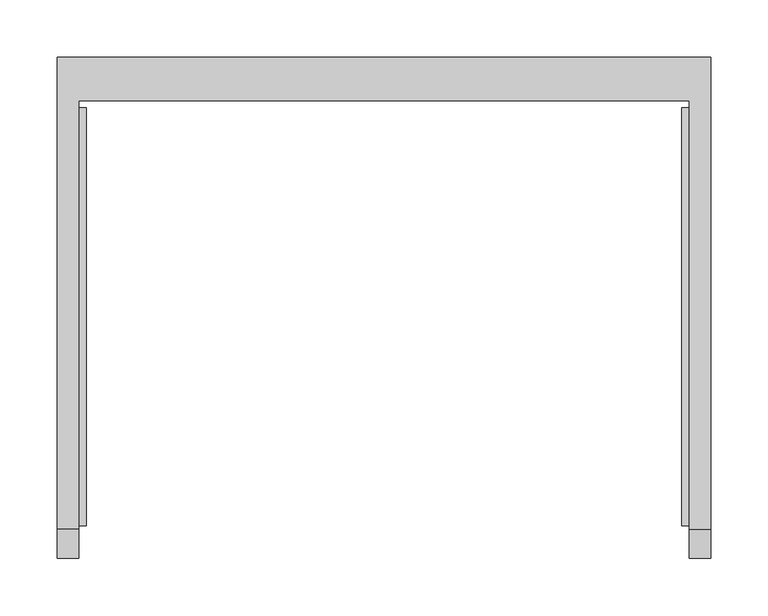
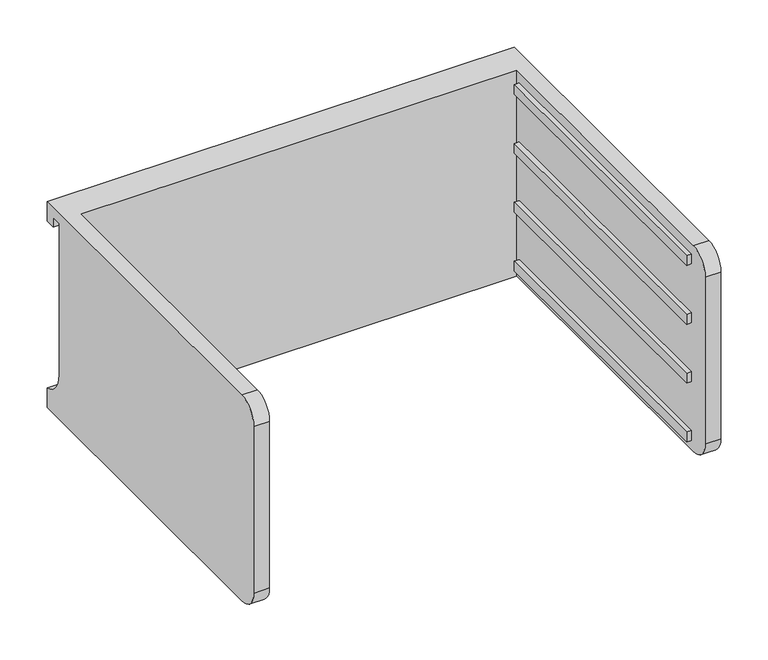
"""IFC4 building model written with IfcOpenShell, lengths in millimetres: furniture geometry."""

from ifc_helpers import new_model, si_unit, frame, origin, place, context, project, spatial, polyline, circle_curve, outline, extrude, source, transform, mapped, element, save
from ifc_brep_helpers import plane_surface, cylinder_surface, revolved_surface, advanced_brep


def furniture_a0f469f4(model_context):
    return source(origin(), model_context, "Body", "SolidModel", [
        advanced_brep(
        [(-171.7622951, -331.6523397, 895.35), (-171.7622951, -357.0523397, 869.95), (-171.7622951, -357.0523397, 654.05), (-171.7622951, -331.6523397, 628.65), (-171.7622951, 43.0421197, 628.65), (-171.7622951, 43.0421197, 895.35), (-190.8122951, -331.6523397, 628.65), (-190.8122951, -357.0523397, 654.05), (-190.8122951, -357.0523397, 869.95), (-190.8122951, -331.6523397, 895.35), (-190.8122951, 81.0976603, 895.35), (-190.8122951, 81.0976603, 869.95), (-190.8122951, 68.4421197, 869.95), (-190.8122951, 68.4421197, 882.65), (-190.8122951, 55.7421197, 882.65), (-190.8122951, 55.7421197, 686.59502), (-190.8122951, 81.0976603, 654.05), (-190.8122951, 81.0976603, 628.65), (380.6877049, 81.0976603, 628.65), (380.6877049, -331.6523397, 628.65), (361.6377049, -331.6523397, 628.65), (361.6377049, 43.0421197, 628.65), (361.6377049, 43.0421197, 895.35), (361.6377049, -331.6523397, 895.35), (380.6877049, -331.6523397, 895.35), (380.6877049, 81.0976603, 895.35), (380.6877049, 81.0976603, 654.05), (380.6877049, 55.7421197, 686.59502), (380.6877049, 55.7421197, 882.65), (380.6877049, 68.4421197, 882.65), (380.6877049, 68.4421197, 869.95), (380.6877049, 81.0976603, 869.95), (380.6877049, -357.0523397, 869.95), (380.6877049, -357.0523397, 654.05), (361.6377049, -357.0523397, 654.05), (361.6377049, -357.0523397, 869.95)],
        [
            (0, 1, circle_curve(frame((-171.7622951, -331.6523397, 869.95), z_axis=(1.0, 0.0, 0.0), x_axis=(0.0, 0.0, 1.0)), 25.4)),
            (1, 2),
            (2, 3, circle_curve(frame((-171.7622951, -331.6523397, 654.05), z_axis=(1.0, 0.0, 0.0), x_axis=(0.0, 0.0, 1.0)), 25.4)),
            (3, 4),
            (4, 5),
            (5, 0),
            (6, 7, circle_curve(frame((-190.8122951, -331.6523397, 654.05), z_axis=(-1.0, 0.0, 0.0), x_axis=(0.0, 0.0, 1.0)), 25.4)),
            (7, 8),
            (8, 9, circle_curve(frame((-190.8122951, -331.6523397, 869.95), z_axis=(-1.0, 0.0, 0.0), x_axis=(0.0, 0.0, 1.0)), 25.4)),
            (9, 10),
            (10, 11),
            (11, 12),
            (12, 13),
            (13, 14),
            (14, 15),
            (15, 16, circle_curve(frame((-190.8122951, 89.3064162, 686.59502), z_axis=(1.0, 0.0, 0.0), x_axis=(0.0, 0.0, 1.0)), 33.5642965)),
            (16, 17),
            (17, 6),
            (0, 9),
            (8, 1),
            (7, 2),
            (6, 3),
            (17, 18),
            (18, 19),
            (19, 20),
            (20, 21),
            (21, 4),
            (5, 22),
            (22, 23),
            (23, 24),
            (24, 25),
            (25, 10),
            (18, 26),
            (26, 27, circle_curve(frame((380.6877049, 89.3064162, 686.59502), z_axis=(-1.0, 0.0, 0.0), x_axis=(0.0, 0.0, 1.0)), 33.5642965)),
            (27, 28),
            (28, 29),
            (29, 30),
            (30, 31),
            (31, 25),
            (24, 32, circle_curve(frame((380.6877049, -331.6523397, 869.95), z_axis=(1.0, 0.0, 0.0), x_axis=(0.0, 0.0, 1.0)), 25.4)),
            (32, 33),
            (33, 19, circle_curve(frame((380.6877049, -331.6523397, 654.05), z_axis=(1.0, 0.0, 0.0), x_axis=(0.0, 0.0, 1.0)), 25.4)),
            (16, 26),
            (15, 27),
            (14, 28),
            (13, 29),
            (12, 30),
            (11, 31),
            (21, 22),
            (20, 34, circle_curve(frame((361.6377049, -331.6523397, 654.05), z_axis=(-1.0, 0.0, 0.0), x_axis=(0.0, 0.0, 1.0)), 25.4)),
            (34, 35),
            (35, 23, circle_curve(frame((361.6377049, -331.6523397, 869.95), z_axis=(-1.0, 0.0, 0.0), x_axis=(0.0, 0.0, 1.0)), 25.4)),
            (35, 32),
            (34, 33),
        ],
        [
            plane_surface(frame((-171.7622951, -331.6523397, 895.35), z_axis=(1.0, 0.0, 0.0), x_axis=(0.0, -1.0, 0.0))),
            plane_surface(frame((-190.8122951, -331.6523397, 895.35), z_axis=(-1.0, 0.0, 0.0), x_axis=(0.0, 1.0, 0.0))),
            cylinder_surface(frame((-190.8122951, -331.6523397, 869.95), z_axis=(1.0, 0.0, 0.0), x_axis=(0.0, 0.0, 1.0)), 25.4),
            plane_surface(frame((-171.7622951, -357.0523397, 869.95), z_axis=(0.0, -1.0, 0.0), x_axis=(-1.0, 0.0, 0.0))),
            cylinder_surface(frame((-190.8122951, -331.6523397, 654.05), z_axis=(1.0, 0.0, 0.0), x_axis=(0.0, 0.0, 1.0)), 25.4),
            plane_surface(frame((-171.7622951, -331.6523397, 628.65), z_axis=(0.0, 0.0, -1.0), x_axis=(-1.0, 0.0, 0.0))),
            plane_surface(frame((-171.7622951, 43.0421197, 895.35), z_axis=(0.0, 0.0, 1.0), x_axis=(-1.0, 0.0, 0.0))),
            plane_surface(frame((380.6877049, 81.0976603, 654.05), z_axis=(1.0, 0.0, 0.0), x_axis=(0.0, 0.0, 1.0))),
            plane_surface(frame((380.6877049, 81.0976603, 628.65), z_axis=(0.0, 1.0, 0.0), x_axis=(-1.0, 0.0, 0.0))),
            revolved_surface(polyline([(-190.8122951, 89.3064162, 720.1593164999999), (380.68770489999997, 89.3064162, 720.1593164999999)]), (-190.8122951, 89.3064162, 686.59502), (-1.0, 0.0, 0.0)),
            plane_surface(frame((380.6877049, 55.7421197, 686.59502), z_axis=(0.0, 1.0, 0.0), x_axis=(-1.0, 0.0, 0.0))),
            plane_surface(frame((380.6877049, 55.7421197, 882.65), z_axis=(0.0, 0.0, -1.0), x_axis=(-1.0, 0.0, 0.0))),
            plane_surface(frame((380.6877049, 68.4421197, 882.65), z_axis=(0.0, -1.0, 0.0), x_axis=(-1.0, 0.0, 0.0))),
            plane_surface(frame((380.6877049, 68.4421197, 869.95), z_axis=(0.0, 0.0, -1.0), x_axis=(-1.0, 0.0, 0.0))),
            plane_surface(frame((380.6877049, 81.0976603, 869.95), z_axis=(0.0, 1.0, 0.0), x_axis=(-1.0, 0.0, 0.0))),
            plane_surface(frame((380.6877049, 43.0421197, 895.35), z_axis=(0.0, -1.0, 0.0), x_axis=(-1.0, 0.0, 0.0))),
            plane_surface(frame((361.6377049, -331.6523397, 895.35), z_axis=(-1.0, 0.0, 0.0), x_axis=(0.0, 1.0, 0.0))),
            cylinder_surface(frame((361.6377049, -331.6523397, 869.95), z_axis=(1.0, 0.0, 0.0), x_axis=(0.0, 0.0, 1.0)), 25.4),
            plane_surface(frame((380.6877049, -357.0523397, 869.95), z_axis=(0.0, -1.0, 0.0), x_axis=(-1.0, 0.0, 0.0))),
            cylinder_surface(frame((361.6377049, -331.6523397, 654.05), z_axis=(1.0, 0.0, 0.0), x_axis=(0.0, 0.0, 1.0)), 25.4),
        ],
        [
            (0, [[1, 2, 3, 4, 5, 6]]),
            (1, [[7, 8, 9, 10, 11, 12, 13, 14, 15, 16, 17, 18]]),
            (2, [[-1, 19, -9, 20]]),
            (3, [[-2, -20, -8, 21]]),
            (4, [[-3, -21, -7, 22]]),
            (5, [[-4, -22, -18, 23, 24, 25, 26, 27]]),
            (6, [[-6, 28, 29, 30, 31, 32, -10, -19]]),
            (7, [[-24, 33, 34, 35, 36, 37, 38, 39, -31, 40, 41, 42]]),
            (8, [[-33, -23, -17, 43]]),
            (9, [[-34, -43, -16, 44]]),
            (10, [[-35, -44, -15, 45]]),
            (11, [[-36, -45, -14, 46]]),
            (12, [[-37, -46, -13, 47]]),
            (13, [[-38, -47, -12, 48]]),
            (14, [[-39, -48, -11, -32]]),
            (15, [[-5, -27, 49, -28]]),
            (16, [[-29, -49, -26, 50, 51, 52]]),
            (17, [[-40, -30, -52, 53]]),
            (18, [[-41, -53, -51, 54]]),
            (19, [[-42, -54, -50, -25]]),
        ],
    ),
        extrude(outline(polyline([(355.2877049, -328.4773397), (355.2877049, 36.6921197), (361.6377049, 36.6921197), (361.6377049, -328.4773397), (355.2877049, -328.4773397)])), frame((0.0, 0.0, 717.55), z_axis=(0.0, 0.0, 1.0), x_axis=(1.0, 0.0, 0.0)), (0.0, 0.0, 1.0), 12.7),
        extrude(outline(polyline([(355.2877049, -328.4773397), (355.2877049, 36.6921197), (361.6377049, 36.6921197), (361.6377049, -328.4773397), (355.2877049, -328.4773397)])), frame((0.0, 0.0, 793.75), z_axis=(0.0, 0.0, 1.0), x_axis=(1.0, 0.0, 0.0)), (0.0, 0.0, 1.0), 12.7),
        extrude(outline(polyline([(355.2877049, -328.4773397), (355.2877049, 36.6921197), (361.6377049, 36.6921197), (361.6377049, -328.4773397), (355.2877049, -328.4773397)])), frame((0.0, 0.0, 869.95), z_axis=(0.0, 0.0, 1.0), x_axis=(1.0, 0.0, 0.0)), (0.0, 0.0, 1.0), 12.7),
        extrude(outline(polyline([(355.2877049, -328.4773397), (355.2877049, 36.6921197), (361.6377049, 36.6921197), (361.6377049, -328.4773397), (355.2877049, -328.4773397)])), frame((0.0, 0.0, 641.35), z_axis=(0.0, 0.0, 1.0), x_axis=(1.0, 0.0, 0.0)), (0.0, 0.0, 1.0), 12.7),
        extrude(outline(polyline([(-171.7622951, -328.4773397), (-171.7622951, 36.6921197), (-165.4122951, 36.6921197), (-165.4122951, -328.4773397), (-171.7622951, -328.4773397)])), frame((0.0, 0.0, 717.55), z_axis=(0.0, 0.0, 1.0), x_axis=(1.0, 0.0, 0.0)), (0.0, 0.0, 1.0), 12.7),
        extrude(outline(polyline([(-171.7622951, -328.4773397), (-171.7622951, 36.6921197), (-165.4122951, 36.6921197), (-165.4122951, -328.4773397), (-171.7622951, -328.4773397)])), frame((0.0, 0.0, 793.75), z_axis=(0.0, 0.0, 1.0), x_axis=(1.0, 0.0, 0.0)), (0.0, 0.0, 1.0), 12.7),
        extrude(outline(polyline([(-171.7622951, -328.4773397), (-171.7622951, 36.6921197), (-165.4122951, 36.6921197), (-165.4122951, -328.4773397), (-171.7622951, -328.4773397)])), frame((0.0, 0.0, 869.95), z_axis=(0.0, 0.0, 1.0), x_axis=(1.0, 0.0, 0.0)), (0.0, 0.0, 1.0), 12.7),
        extrude(outline(polyline([(-171.7622951, -328.4773397), (-171.7622951, 36.6921197), (-165.4122951, 36.6921197), (-165.4122951, -328.4773397), (-171.7622951, -328.4773397)])), frame((0.0, 0.0, 641.35), z_axis=(0.0, 0.0, 1.0), x_axis=(1.0, 0.0, 0.0)), (0.0, 0.0, 1.0), 12.7),
    ])


if __name__ == "__main__":
    model = new_model("IFC4")
    model_context = context("Model", 3, world=origin())
    ifc_project = project(units=[si_unit("LENGTHUNIT", "METRE", prefix="MILLI")], contexts=[model_context])
    site = spatial("IfcSite", under=ifc_project)
    building = spatial("IfcBuilding", under=site)
    placement = place(None, origin())
    furniture_shape = furniture_a0f469f4(model_context)
    element("IfcFurniture", 1, at=placement, inside=building, context=model_context, shape_type="MappedRepresentation", body=[
        mapped(furniture_shape, transform((0.0, 0.0, 0.0), x_axis=(1.0, 0.0, 0.0), y_axis=(0.0, 1.0, 0.0), z_axis=(0.0, 0.0, 1.0))),
    ])
    save(model, "model.ifc")
